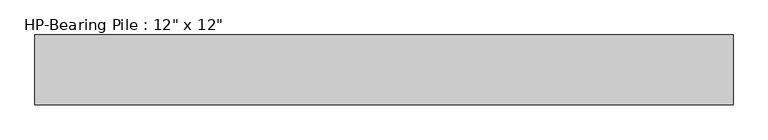
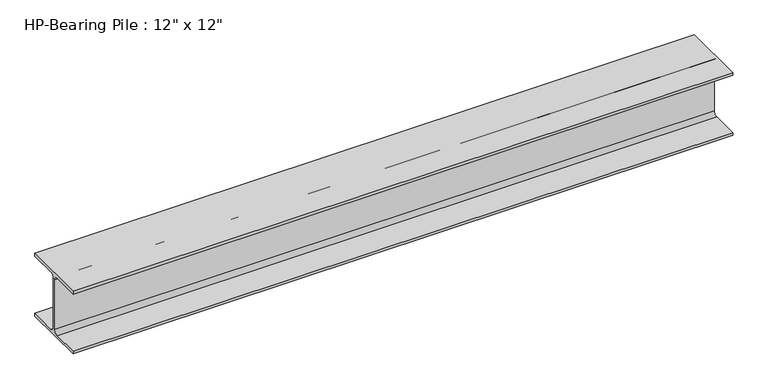
"""IFC4 building model written with IfcOpenShell, lengths in millimetres: beam geometry."""

from ifc_helpers import new_model, si_unit, point, frame, frame_2d, origin, place, context, project, spatial, polyline, circle_curve, trimmed, segment, composite_curve, outline, extrude, source, transform, mapped, element, save


def beam_2bd2471f(model_context):
    return source(origin(), model_context, "Body", "SweptSolid", [
        extrude(outline(composite_curve([segment(polyline([(152.4, -139.7), (152.4, -152.4), (-152.4, -152.4), (-152.4, -139.7), (-25.4, -139.7)]), True, "CONTINUOUS"), segment(trimmed(circle_curve(frame_2d((-25.4, -120.65)), 19.05), [point((-25.4, -139.7))], [point((-6.35, -120.65))], True, "CARTESIAN"), True, "CONTINUOUS"), segment(polyline([(-6.35, -120.65), (-6.35, 120.65)]), True, "CONTINUOUS"), segment(trimmed(circle_curve(frame_2d((-25.4, 120.65)), 19.05), [point((-6.35, 120.65))], [point((-25.4, 139.7))], True, "CARTESIAN"), True, "CONTINUOUS"), segment(polyline([(-25.4, 139.7), (-152.4, 139.7), (-152.4, 152.4), (152.4, 152.4), (152.4, 139.7), (25.4, 139.7)]), True, "CONTINUOUS"), segment(trimmed(circle_curve(frame_2d((25.4, 120.65)), 19.05), [point((25.4, 139.7))], [point((6.35, 120.65))], True, "CARTESIAN"), True, "CONTINUOUS"), segment(polyline([(6.35, 120.65), (6.35, -120.65)]), True, "CONTINUOUS"), segment(trimmed(circle_curve(frame_2d((25.4, -120.65)), 19.05), [point((6.35, -120.65))], [point((25.4, -139.7))], True, "CARTESIAN"), True, "CONTINUOUS"), segment(polyline([(25.4, -139.7), (152.4, -139.7)]), True, "CONTINUOUS")], self_intersect=False)), frame((-1520.825, 0.0, 0.0), z_axis=(1.0, 0.0, 0.0), x_axis=(0.0, 1.0, 0.0)), (0.0, 0.0, 1.0), 3041.65),
    ])


if __name__ == "__main__":
    model = new_model("IFC4")
    model_context = context("Model", 3, world=origin())
    ifc_project = project(units=[si_unit("LENGTHUNIT", "METRE", prefix="MILLI")], contexts=[model_context])
    site = spatial("IfcSite", under=ifc_project)
    building = spatial("IfcBuilding", under=site)
    placement = place(None, origin())
    beam_shape = beam_2bd2471f(model_context)
    element("IfcBeam", 1, ObjectType="HP-Bearing Pile : 12\" x 12\"", at=placement, inside=building, context=model_context, shape_type="MappedRepresentation", body=[
        mapped(beam_shape, transform((0.0, 0.0, 0.0), x_axis=(1.0, 0.0, 0.0), y_axis=(0.0, 1.0, 0.0), z_axis=(0.0, 0.0, 1.0))),
    ])
    save(model, "model.ifc")
